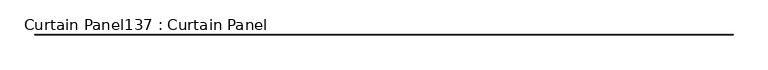
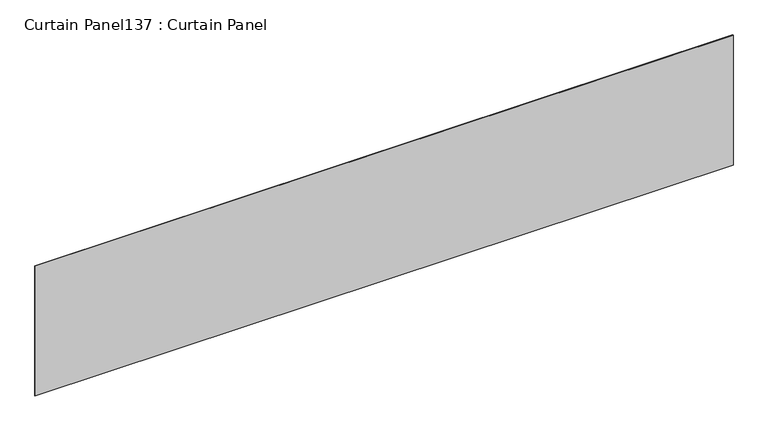
"""IFC4 building model written with IfcOpenShell, lengths in millimetres: plate geometry, Curtain Panel137 : Curtain Panel."""

from ifc_helpers import new_model, si_unit, frame, origin, place, context, project, spatial, polyline, outline, extrude, source, transform, mapped, element, save


def curtain_panel137_curtain_panel_b953bc9d(model_context):
    return source(origin(), model_context, "Body", "SweptSolid", [
        extrude(outline(polyline([(318051.4925793, 2040.743529), (310431.4925793, 2040.743529), (310431.4925793, 2047.093529), (318051.4925793, 2047.093529), (318051.4925793, 2040.743529)])), frame((0.0, 0.0, 5632.7163816), z_axis=(0.0, 0.0, 1.0), x_axis=(1.0, 0.0, 0.0)), (0.0, 0.0, 1.0), 1501.2585593),
    ])


if __name__ == "__main__":
    model = new_model("IFC4")
    model_context = context("Model", 3, world=origin())
    ifc_project = project(units=[si_unit("LENGTHUNIT", "METRE", prefix="MILLI")], contexts=[model_context])
    site = spatial("IfcSite", under=ifc_project)
    building = spatial("IfcBuilding", under=site)
    placement = place(None, origin())
    curtain_panel137_curtain_panel_shape = curtain_panel137_curtain_panel_b953bc9d(model_context)
    element("IfcPlate", 1, ObjectType="Curtain Panel137 : Curtain Panel", at=placement, inside=building, context=model_context, shape_type="MappedRepresentation", body=[
        mapped(curtain_panel137_curtain_panel_shape, transform((0.0, 0.0, 0.0), x_axis=(1.0, 0.0, 0.0), y_axis=(0.0, 1.0, 0.0), z_axis=(0.0, 0.0, 1.0))),
    ])
    save(model, "model.ifc")
